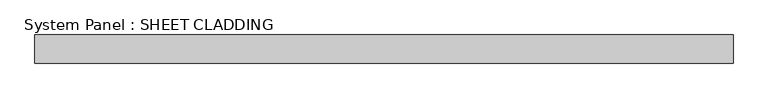
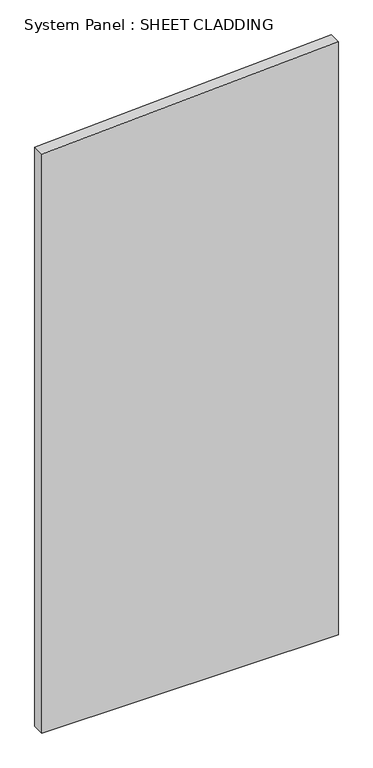
"""IFC4 building model written with IfcOpenShell, lengths in millimetres: plate geometry, System Panel : SHEET CLADDING."""

from ifc_helpers import new_model, si_unit, frame, origin, place, context, project, spatial, polyline, outline, extrude, source, transform, mapped, element, save


def system_panel_sheet_cladding_bf425f4e(model_context):
    return source(origin(), model_context, "Body", "SweptSolid", [
        extrude(outline(polyline([(0.0, -735.4591838), (0.0, 735.4591838), (3108.6459184, 735.4591838), (3035.1, -735.4591838), (0.0, -735.4591838)])), frame((0.0, -10.5, 0.0), z_axis=(0.0, 1.0, 0.0), x_axis=(0.0, 0.0, 1.0)), (0.0, 0.0, 1.0), 60.0),
    ])


if __name__ == "__main__":
    model = new_model("IFC4")
    model_context = context("Model", 3, world=origin())
    ifc_project = project(units=[si_unit("LENGTHUNIT", "METRE", prefix="MILLI")], contexts=[model_context])
    site = spatial("IfcSite", under=ifc_project)
    building = spatial("IfcBuilding", under=site)
    placement = place(None, origin())
    system_panel_sheet_cladding_shape = system_panel_sheet_cladding_bf425f4e(model_context)
    element("IfcPlate", 1, ObjectType="System Panel : SHEET CLADDING", at=placement, inside=building, context=model_context, shape_type="MappedRepresentation", body=[
        mapped(system_panel_sheet_cladding_shape, transform((0.0, 0.0, 0.0), x_axis=(1.0, 0.0, 0.0), y_axis=(0.0, 1.0, 0.0), z_axis=(0.0, 0.0, 1.0))),
    ])
    save(model, "model.ifc")
